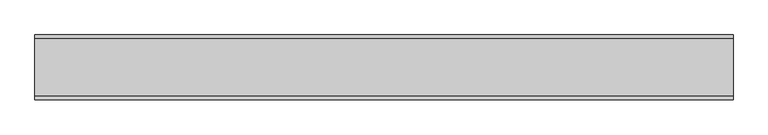
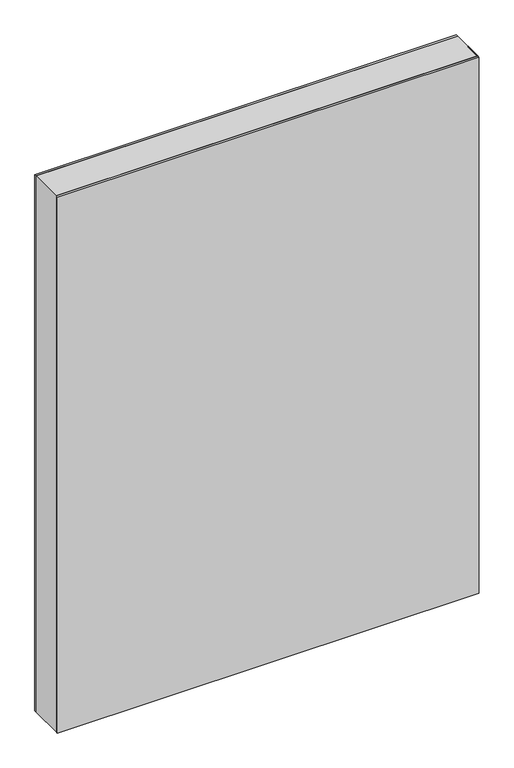
"""IFC4 building model written with IfcOpenShell, lengths in millimetres: plate geometry."""

from ifc_helpers import new_model, si_unit, frame, origin, origin_with_axes, place, context, project, spatial, polyline, outline, extrude, source, transform, mapped, element, save


def plate_1da63056(model_context):
    return source(origin(), model_context, "Body", "SweptSolid", [
        extrude(outline(polyline([(1450.25, -539.9375001), (0.0, -539.9375001), (0.0, 539.9375001), (1450.25, 539.9375001), (1450.25, -539.9375001)]), holes=[polyline([(1449.25, -538.9375001), (1449.25, 538.9375001), (1.0, 538.9375001), (1.0, -538.9375001), (1449.25, -538.9375001)])]), frame((0.0, -44.0, 0.0), z_axis=(0.0, 1.0, 0.0), x_axis=(0.0, 0.0, 1.0)), (0.0, 0.0, 1.0), 88.0),
        extrude(outline(polyline([(539.9375001, 44.0), (-539.9375001, 44.0), (-539.9375001, 50.0), (539.9375001, 50.0), (539.9375001, 44.0)])), origin_with_axes(), (0.0, 0.0, 1.0), 1450.25),
        extrude(outline(polyline([(-539.9375001, -50.0), (-539.9375001, -44.0), (539.9375001, -44.0), (539.9375001, -50.0), (-539.9375001, -50.0)])), origin_with_axes(), (0.0, 0.0, 1.0), 1450.25),
    ])


if __name__ == "__main__":
    model = new_model("IFC4")
    model_context = context("Model", 3, world=origin())
    ifc_project = project(units=[si_unit("LENGTHUNIT", "METRE", prefix="MILLI")], contexts=[model_context])
    site = spatial("IfcSite", under=ifc_project)
    building = spatial("IfcBuilding", under=site)
    placement = place(None, origin())
    plate_shape = plate_1da63056(model_context)
    element("IfcPlate", 1, at=placement, inside=building, context=model_context, shape_type="MappedRepresentation", body=[
        mapped(plate_shape, transform((0.0, 0.0, 0.0), x_axis=(1.0, 0.0, 0.0), y_axis=(0.0, 1.0, 0.0), z_axis=(0.0, 0.0, 1.0))),
    ])
    save(model, "model.ifc")
